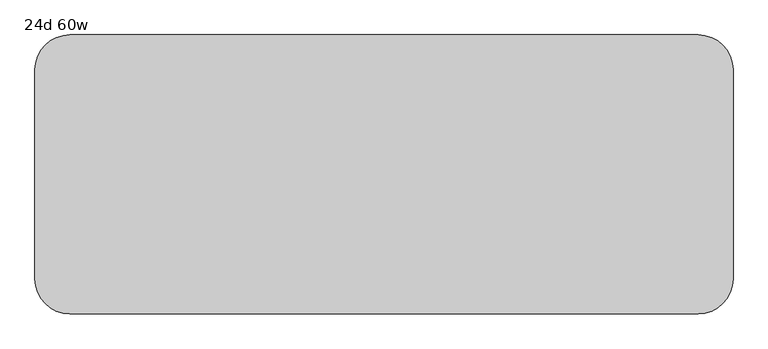
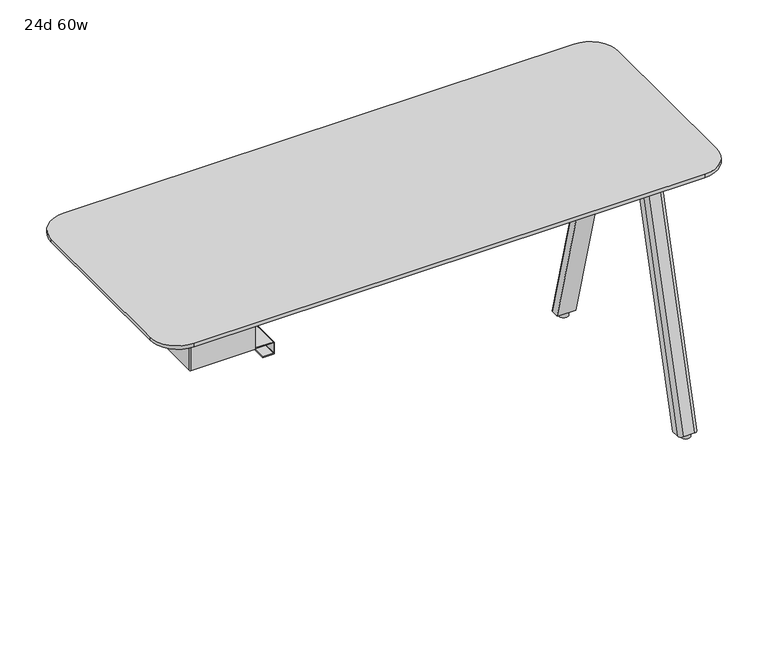
"""IFC4 building model written with IfcOpenShell, lengths in millimetres: furniture geometry, 24d 60w."""

from ifc_helpers import new_model, si_unit, point, frame, frame_2d, origin, origin_with_axes, place, context, project, spatial, polyline, circle_curve, trimmed, segment, composite_curve, outline, extrude, source, transform, mapped, element, save
from ifc_brep_helpers import plane_surface, cylinder_surface, revolved_surface, extruded_surface, advanced_brep


def furniture_24d_60w_8a3d5baf(model_context):
    return source(origin(), model_context, "Body", "SolidModel", [
        extrude(outline(composite_curve([segment(trimmed(circle_curve(frame_2d((708.2866241, 10.4825733)), 2.9133759), [point((711.2, 10.4825733))], [point((708.2866241, 7.5691973))], False, "CARTESIAN"), True, "CONTINUOUS"), segment(polyline([(708.2866241, 7.5691973), (549.0057593, 7.5691973)]), True, "CONTINUOUS"), segment(trimmed(circle_curve(frame_2d((549.0057593, 10.4825778)), 2.9133805), [point((549.0057593, 7.5691973))], [point((546.0923788, 10.4825778))], False, "CARTESIAN"), True, "CONTINUOUS"), segment(polyline([(546.0923788, 10.4825778), (546.0923788, 59.011815)]), True, "CONTINUOUS"), segment(trimmed(circle_curve(frame_2d((545.0763787, 59.011815)), 1.0160002), [point((546.0923788, 59.011815))], [point((545.0763787, 60.0278151))], True, "CARTESIAN"), True, "CONTINUOUS"), segment(polyline([(545.0763787, 60.0278151), (516.6283794, 60.0278151)]), True, "CONTINUOUS"), segment(trimmed(circle_curve(frame_2d((516.6283797, 59.011815)), 1.0160002), [point((516.6283794, 60.0278151))], [point((515.6123795, 59.011815))], True, "CARTESIAN"), True, "CONTINUOUS"), segment(polyline([(515.6123795, 59.011815), (515.6123792, 30.1751951), (513.7149992, 30.1751951), (513.7149992, 59.011815)]), True, "CONTINUOUS"), segment(trimmed(circle_curve(frame_2d((516.6283797, 59.011815)), 2.9133805), [point((513.7149992, 59.011815))], [point((516.6283797, 61.9251955))], False, "CARTESIAN"), True, "CONTINUOUS"), segment(polyline([(516.6283797, 61.9251955), (545.0763798, 61.9251955)]), True, "CONTINUOUS"), segment(trimmed(circle_curve(frame_2d((545.0763798, 59.011815)), 2.9133805), [point((545.0763798, 61.9251955))], [point((547.9897603, 59.011815))], False, "CARTESIAN"), True, "CONTINUOUS"), segment(polyline([(547.9897603, 59.011815), (547.9897603, 10.4825733)]), True, "CONTINUOUS"), segment(trimmed(circle_curve(frame_2d((549.0057593, 10.4825733)), 1.015999), [point((547.9897603, 10.4825733))], [point((549.0057593, 9.4665743))], True, "CARTESIAN"), True, "CONTINUOUS"), segment(polyline([(549.0057593, 9.4665743), (708.2866241, 9.4665743)]), True, "CONTINUOUS"), segment(trimmed(circle_curve(frame_2d((708.2866241, 10.4825733)), 1.015999), [point((708.2866241, 9.4665743))], [point((709.3026231, 10.4825733))], True, "CARTESIAN"), True, "CONTINUOUS"), segment(polyline([(709.3026231, 10.4825733), (709.3026231, 87.3252), (711.2, 87.3252), (711.2, 10.4825733)]), True, "CONTINUOUS")], self_intersect=False)), frame((0.0, -314.0610932, 0.0), z_axis=(0.0, 1.0, 0.0), x_axis=(0.0, 0.0, 1.0)), (0.0, 0.0, 1.0), 304.8),
        extrude(outline(composite_curve([segment(polyline([(-166.6748, -314.9678875), (-166.6748, -8.3390657)]), True, "CONTINUOUS"), segment(trimmed(circle_curve(frame_2d((-164.7698109, -8.3390657)), 1.9049891), [point((-166.6748, -8.3390657))], [point((-164.7698109, -6.4340766))], False, "CARTESIAN"), True, "CONTINUOUS"), segment(polyline([(-164.7698109, -6.4340766), (8.3565948, -6.4340766), (8.3565948, -316.8728766), (-164.7698109, -316.8728766)]), True, "CONTINUOUS"), segment(trimmed(circle_curve(frame_2d((-164.7698109, -314.9678875)), 1.9049891), [point((-164.7698109, -316.8728766))], [point((-166.6748, -314.9678875))], False, "CARTESIAN"), True, "CONTINUOUS")], self_intersect=False)), frame((0.0, 0.0, 547.0829797), z_axis=(0.0, 0.0, 1.0), x_axis=(1.0, 0.0, 0.0)), (0.0, 0.0, 1.0), 164.1170203),
        extrude(outline(composite_curve([segment(polyline([(1112.4565, -142.6464359), (1004.5065004, -142.6464359)]), True, "CONTINUOUS"), segment(trimmed(circle_curve(frame_2d((1004.5065004, -133.1214359)), 9.525), [point((1004.5065004, -142.6464359))], [point((994.9815004, -133.1214359))], False, "CARTESIAN"), True, "CONTINUOUS"), segment(polyline([(994.9815004, -133.1214359), (994.9815004, -50.4480665)]), True, "CONTINUOUS"), segment(trimmed(circle_curve(frame_2d((1004.5065004, -50.4480665)), 9.525), [point((994.9815004, -50.4480665))], [point((1004.5065004, -40.9230665))], False, "CARTESIAN"), True, "CONTINUOUS"), segment(polyline([(1004.5065004, -40.9230665), (1112.4565, -40.9230665)]), True, "CONTINUOUS"), segment(trimmed(circle_curve(frame_2d((1112.4565, -50.4480665)), 9.525), [point((1112.4565, -40.9230665))], [point((1121.9815, -50.4480665))], False, "CARTESIAN"), True, "CONTINUOUS"), segment(polyline([(1121.9815, -50.4480665), (1121.9815, -133.1214359)]), True, "CONTINUOUS"), segment(trimmed(circle_curve(frame_2d((1112.4565, -133.1214359)), 9.525), [point((1121.9815, -133.1214359))], [point((1112.4565, -142.6464359))], False, "CARTESIAN"), True, "CONTINUOUS")], self_intersect=False)), frame((0.0, 0.0, 705.2055742), z_axis=(0.0, 0.0, 1.0), x_axis=(1.0, 0.0, 0.0)), (0.0, 0.0, 1.0), 5.9944258),
        advanced_brep(
        [(1106.4875, -48.1472266, 705.2055742), (1074.7375, -48.1472266, 705.2055742), (1065.2125, -57.6722266, 705.2055742), (1065.2125, -78.3097266, 705.2055742), (1116.0125, -78.3097266, 705.2055742), (1116.0125, -57.6722266, 705.2055742), (1106.4875, 138.3410641, 12.7), (1116.0125, 128.8160641, 12.7), (1116.0125, 108.1785641, 12.7), (1065.2125, 108.1785641, 12.7), (1065.2125, 128.8160641, 12.7), (1074.7375, 138.3410641, 12.7)],
        [
            (0, 1),
            (1, 2, circle_curve(frame((1074.7375, -57.6722266, 705.2055742), z_axis=(0.0, 0.0, 1.0), x_axis=(1.0, 0.0, 0.0)), 9.525)),
            (2, 3),
            (3, 4),
            (4, 5),
            (5, 0, circle_curve(frame((1106.4875, -57.6722266, 705.2055742), z_axis=(0.0, 0.0, 1.0), x_axis=(1.0, 0.0, 0.0)), 9.525)),
            (6, 7, circle_curve(frame((1106.4875, 128.8160641, 12.7), z_axis=(0.0, 0.0, -1.0), x_axis=(1.0, 0.0, 0.0)), 9.525)),
            (7, 8),
            (8, 9),
            (9, 10),
            (10, 11, circle_curve(frame((1074.7375, 128.8160641, 12.7), z_axis=(0.0, 0.0, -1.0), x_axis=(1.0, 0.0, 0.0)), 9.525)),
            (11, 6),
            (6, 0),
            (5, 7),
            (4, 8),
            (3, 9),
            (2, 10),
            (1, 11),
        ],
        [
            plane_surface(frame((1090.6125, -61.3763932, 705.2055742), z_axis=(0.0, 0.0, 1.0), x_axis=(-1.0, 0.0, 0.0))),
            plane_surface(frame((1090.6125, 125.1118975, 12.7), z_axis=(0.0, 0.0, -1.0), x_axis=(-1.0, 0.0, 0.0))),
            extruded_surface(trimmed(circle_curve(frame((1106.4875, -57.6722266, 705.2055742), z_axis=(0.0, 0.0, -1.0), x_axis=(1.0, 0.0, 0.0)), 9.525), [point((1106.4875, -48.1472266, 705.2055742))], [point((1116.0125, -57.6722266, 705.2055742))], True, "CARTESIAN"), (0.0, 186.4882907, -692.5055742), 717.1763052878136),
            plane_surface(frame((1116.0125, 118.4973141, 12.7), z_axis=(1.0, 0.0, 0.0), x_axis=(0.0, -1.0, 0.0))),
            plane_surface(frame((1090.6125, 108.1785641, 12.7), z_axis=(0.0, -0.9656001865922422, -0.260031305140414), x_axis=(-1.0, 0.0, 0.0))),
            plane_surface(frame((1065.2125, 118.4973141, 12.7), z_axis=(-1.0, 0.0, 0.0), x_axis=(0.0, 1.0, 0.0))),
            extruded_surface(trimmed(circle_curve(frame((1074.7375, -57.6722266, 705.2055742), z_axis=(0.0, 0.0, -1.0), x_axis=(1.0, 0.0, 0.0)), 9.525), [point((1065.2125, -57.6722266, 705.2055742))], [point((1074.7375, -48.1472266, 705.2055742))], True, "CARTESIAN"), (0.0, 186.4882907, -692.5055742), 717.1763052878136),
            plane_surface(frame((1090.6125, 138.3410641, 12.7), z_axis=(0.0, 0.9656001865922422, 0.260031305140414), x_axis=(1.0, 0.0, 0.0))),
        ],
        [
            (0, [[1, 2, 3, 4, 5, 6]]),
            (1, [[7, 8, 9, 10, 11, 12]]),
            (2, [[13, -6, 14, -7]]),
            (3, [[-14, -5, 15, -8]]),
            (4, [[-15, -4, 16, -9]]),
            (5, [[-16, -3, 17, -10]]),
            (6, [[-17, -2, 18, -11]]),
            (7, [[-18, -1, -13, -12]]),
        ],
    ),
        extrude(outline(composite_curve([segment(trimmed(circle_curve(frame_2d((1090.6125, 122.4660641)), 12.7), [point((1077.9125, 122.4660641))], [point((1103.3125, 122.4660641))], False, "CARTESIAN"), True, "CONTINUOUS"), segment(trimmed(circle_curve(frame_2d((1090.6125, 122.4660641)), 12.7), [point((1103.3125, 122.4660641))], [point((1077.9125, 122.4660641))], False, "CARTESIAN"), True, "CONTINUOUS")], self_intersect=False)), origin_with_axes(), (0.0, 0.0, 1.0), 12.7),
        extrude(outline(composite_curve([segment(trimmed(circle_curve(frame_2d((1112.4565, -190.1855172)), 9.525), [point((1112.4565, -180.6605172))], [point((1121.9815, -190.1855172))], False, "CARTESIAN"), True, "CONTINUOUS"), segment(polyline([(1121.9815, -190.1855172), (1121.9815, -272.8588866)]), True, "CONTINUOUS"), segment(trimmed(circle_curve(frame_2d((1112.4565, -272.8588866)), 9.525), [point((1121.9815, -272.8588866))], [point((1112.4565, -282.3838866))], False, "CARTESIAN"), True, "CONTINUOUS"), segment(polyline([(1112.4565, -282.3838866), (1004.5065004, -282.3838866)]), True, "CONTINUOUS"), segment(trimmed(circle_curve(frame_2d((1004.5065004, -272.8588866)), 9.525), [point((1004.5065004, -282.3838866))], [point((994.9815004, -272.8588866))], False, "CARTESIAN"), True, "CONTINUOUS"), segment(polyline([(994.9815004, -272.8588866), (994.9815004, -190.1855172)]), True, "CONTINUOUS"), segment(trimmed(circle_curve(frame_2d((1004.5065004, -190.1855172)), 9.525), [point((994.9815004, -190.1855172))], [point((1004.5065004, -180.6605172))], False, "CARTESIAN"), True, "CONTINUOUS"), segment(polyline([(1004.5065004, -180.6605172), (1112.4565, -180.6605172)]), True, "CONTINUOUS")], self_intersect=False)), frame((0.0, 0.0, 705.2055742), z_axis=(0.0, 0.0, 1.0), x_axis=(1.0, 0.0, 0.0)), (0.0, 0.0, 1.0), 5.9944258),
        advanced_brep(
        [(1106.4875, -275.1597266, 705.2055742), (1116.0125, -265.6347266, 705.2055742), (1116.0125, -244.9972266, 705.2055742), (1065.2125, -244.9972266, 705.2055742), (1065.2125, -265.6347266, 705.2055742), (1074.7375, -275.1597266, 705.2055742), (1106.4875, -461.6480172, 12.7), (1074.7375, -461.6480172, 12.7), (1065.2125, -452.1230172, 12.7), (1065.2125, -431.4855172, 12.7), (1116.0125, -431.4855172, 12.7), (1116.0125, -452.1230172, 12.7)],
        [
            (0, 1, circle_curve(frame((1106.4875, -265.6347266, 705.2055742), z_axis=(0.0, 0.0, 1.0), x_axis=(1.0, 0.0, 0.0)), 9.525)),
            (1, 2),
            (2, 3),
            (3, 4),
            (4, 5, circle_curve(frame((1074.7375, -265.6347266, 705.2055742), z_axis=(0.0, 0.0, 1.0), x_axis=(1.0, 0.0, 0.0)), 9.525)),
            (5, 0),
            (6, 7),
            (7, 8, circle_curve(frame((1074.7375, -452.1230172, 12.7), z_axis=(0.0, 0.0, -1.0), x_axis=(1.0, 0.0, 0.0)), 9.525)),
            (8, 9),
            (9, 10),
            (10, 11),
            (11, 6, circle_curve(frame((1106.4875, -452.1230172, 12.7), z_axis=(0.0, 0.0, -1.0), x_axis=(1.0, 0.0, 0.0)), 9.525)),
            (11, 1),
            (0, 6),
            (10, 2),
            (9, 3),
            (8, 4),
            (7, 5),
        ],
        [
            plane_surface(frame((1090.6125, -261.9305599, 705.2055742), z_axis=(0.0, 0.0, 1.0), x_axis=(-1.0, 0.0, 0.0))),
            plane_surface(frame((1090.6125, -448.4188506, 12.7), z_axis=(0.0, 0.0, -1.0), x_axis=(-1.0, 0.0, 0.0))),
            extruded_surface(trimmed(circle_curve(frame((1106.4875, -452.1230172, 12.7), z_axis=(0.0, 0.0, 1.0), x_axis=(1.0, 0.0, 0.0)), 9.525), [point((1106.4875, -461.6480172, 12.7))], [point((1116.0125, -452.1230172, 12.7))], True, "CARTESIAN"), (0.0, 186.48829059999997, 692.5055742), 717.1763052618105),
            plane_surface(frame((1116.0125, -441.8042672, 12.7), z_axis=(1.0, 0.0, 0.0), x_axis=(0.0, 1.0, 0.0))),
            plane_surface(frame((1090.6125, -431.4855172, 12.7), z_axis=(0.0, 0.9656001865922422, -0.260031305140414), x_axis=(-1.0, 0.0, 0.0))),
            plane_surface(frame((1065.2125, -441.8042672, 12.7), z_axis=(-1.0, 0.0, 0.0), x_axis=(0.0, -1.0, 0.0))),
            extruded_surface(trimmed(circle_curve(frame((1074.7375, -452.1230172, 12.7), z_axis=(0.0, 0.0, 1.0), x_axis=(1.0, 0.0, 0.0)), 9.525), [point((1065.2125, -452.1230172, 12.7))], [point((1074.7375, -461.6480172, 12.7))], True, "CARTESIAN"), (0.0, 186.48829059999997, 692.5055742), 717.1763052618105),
            plane_surface(frame((1090.6125, -461.6480172, 12.7), z_axis=(0.0, -0.9656001865922422, 0.260031305140414), x_axis=(1.0, 0.0, 0.0))),
        ],
        [
            (0, [[1, 2, 3, 4, 5, 6]]),
            (1, [[7, 8, 9, 10, 11, 12]]),
            (2, [[-12, 13, -1, 14]]),
            (3, [[-11, 15, -2, -13]]),
            (4, [[-10, 16, -3, -15]]),
            (5, [[-9, 17, -4, -16]]),
            (6, [[-8, 18, -5, -17]]),
            (7, [[-7, -14, -6, -18]]),
        ],
    ),
        extrude(outline(composite_curve([segment(trimmed(circle_curve(frame_2d((1090.6125, -445.7730172)), 12.7), [point((1077.9125, -445.7730172))], [point((1103.3125, -445.7730172))], False, "CARTESIAN"), True, "CONTINUOUS"), segment(trimmed(circle_curve(frame_2d((1090.6125, -445.7730172)), 12.7), [point((1103.3125, -445.7730172))], [point((1077.9125, -445.7730172))], False, "CARTESIAN"), True, "CONTINUOUS")], self_intersect=False)), origin_with_axes(), (0.0, 0.0, 1.0), 12.7),
        advanced_brep(
        [(-241.3, -466.4534766, 741.3625), (1130.3, -466.4534766, 741.3625), (1206.5, -390.2534766, 741.3625), (1206.5, 66.9465234, 741.3625), (1130.3, 143.1465234, 741.3625), (-241.3, 143.1465234, 741.3625), (-317.5, 66.9465234, 741.3625), (-317.5, -390.2534766, 741.3625), (1130.3, -415.6534766, 711.2), (-241.3, -415.6534766, 711.2), (-266.7, -390.2534766, 711.2), (-266.7, 66.9465234, 711.2), (-241.3, 92.3465234, 711.2), (1130.3, 92.3465234, 711.2), (1155.7, 66.9465234, 711.2), (1155.7, -390.2534766, 711.2), (-241.3, -466.4534766, 731.8375), (1130.3, -466.4534766, 731.8375), (1206.5, -390.2534766, 731.8375), (1206.5, 66.9465234, 731.8375), (1130.3, 143.1465234, 731.8375), (-241.3, 143.1465234, 731.8375), (-317.5, 66.9465234, 731.8375), (-317.5, -390.2534766, 731.8375)],
        [
            (0, 1),
            (1, 2, circle_curve(frame((1130.3, -390.2534766, 741.3625), z_axis=(0.0, 0.0, 1.0), x_axis=(1.0, 0.0, 0.0)), 76.2)),
            (2, 3),
            (3, 4, circle_curve(frame((1130.3, 66.9465234, 741.3625), z_axis=(0.0, 0.0, 1.0), x_axis=(1.0, 0.0, 0.0)), 76.2)),
            (4, 5),
            (5, 6, circle_curve(frame((-241.3, 66.9465234, 741.3625), z_axis=(0.0, 0.0, 1.0), x_axis=(1.0, 0.0, 0.0)), 76.2)),
            (6, 7),
            (7, 0, circle_curve(frame((-241.3, -390.2534766, 741.3625), z_axis=(0.0, 0.0, 1.0), x_axis=(1.0, 0.0, 0.0)), 76.2)),
            (8, 9),
            (9, 10, circle_curve(frame((-241.3, -390.2534766, 711.2), z_axis=(0.0, 0.0, -1.0), x_axis=(-1.0, 0.0, 0.0)), 25.4)),
            (10, 11),
            (11, 12, circle_curve(frame((-241.3, 66.9465234, 711.2), z_axis=(0.0, 0.0, -1.0), x_axis=(0.0, 1.0, 0.0)), 25.4)),
            (12, 13),
            (13, 14, circle_curve(frame((1130.3, 66.9465234, 711.2), z_axis=(0.0, 0.0, -1.0), x_axis=(1.0, 0.0, 0.0)), 25.4)),
            (14, 15),
            (15, 8, circle_curve(frame((1130.3, -390.2534766, 711.2), z_axis=(0.0, 0.0, -1.0), x_axis=(0.0, -1.0, 0.0)), 25.4)),
            (0, 16),
            (16, 17),
            (17, 1),
            (2, 18),
            (18, 19),
            (19, 3),
            (17, 18, circle_curve(frame((1130.3, -390.2534766, 731.8375), z_axis=(0.0, 0.0, 1.0), x_axis=(1.0, 0.0, 0.0)), 76.2)),
            (4, 20),
            (20, 21),
            (21, 5),
            (8, 17),
            (16, 9),
            (15, 18),
            (14, 19),
            (13, 20),
            (20, 19, circle_curve(frame((1130.3, 66.9465234, 731.8375), z_axis=(0.0, 0.0, -1.0), x_axis=(1.0, 0.0, 0.0)), 76.2)),
            (12, 21),
            (6, 22),
            (22, 23),
            (23, 7),
            (21, 22, circle_curve(frame((-241.3, 66.9465234, 731.8375), z_axis=(0.0, 0.0, 1.0), x_axis=(1.0, 0.0, 0.0)), 76.2)),
            (23, 16, circle_curve(frame((-241.3, -390.2534766, 731.8375), z_axis=(0.0, 0.0, 1.0), x_axis=(1.0, 0.0, 0.0)), 76.2)),
            (11, 22),
            (10, 23),
        ],
        [
            plane_surface(frame((1130.3, -466.4534766, 741.3625), z_axis=(0.0, 0.0, 1.0), x_axis=(1.0, 0.0, 0.0))),
            plane_surface(frame((1130.3, -466.4534766, 711.2), z_axis=(0.0, 0.0, -1.0), x_axis=(-1.0, 0.0, 0.0))),
            plane_surface(frame((-241.3, -466.4534766, 741.3625), z_axis=(0.0, -1.0, 0.0), x_axis=(0.0, 0.0, -1.0))),
            plane_surface(frame((1206.5, -390.2534766, 741.3625), z_axis=(1.0, 0.0, 0.0), x_axis=(0.0, 0.0, -1.0))),
            cylinder_surface(frame((1130.3, -390.2534766, 711.2), z_axis=(0.0, 0.0, 1.0), x_axis=(1.0, 0.0, 0.0)), 76.2),
            plane_surface(frame((1130.3, 143.1465234, 741.3625), z_axis=(0.0, 1.0, 0.0), x_axis=(0.0, 0.0, -1.0))),
            plane_surface(frame((-241.3, -466.4534766, 731.8375), z_axis=(0.0, -0.3763770469577009, -0.926466577121593), x_axis=(1.0, 0.0, 0.0))),
            revolved_surface(polyline([(1130.3, -415.6534766, 711.2), (1130.3, -466.4534766, 731.8375)]), (1130.3, -390.2534766, 0.0), (0.0, 0.0, 1.0)),
            plane_surface(frame((1206.5, -390.2534766, 731.8375), z_axis=(0.3763770469577009, 0.0, -0.926466577121593), x_axis=(0.0, 1.0, 0.0))),
            revolved_surface(polyline([(1155.7, 66.9465234, 711.2), (1206.5, 66.9465234, 731.8375)]), (1130.3, 66.9465234, 0.0), (0.0, 0.0, 1.0)),
            plane_surface(frame((1130.3, 143.1465234, 731.8375), z_axis=(0.0, 0.3763770469577009, -0.926466577121593), x_axis=(-1.0, 0.0, 0.0))),
            cylinder_surface(frame((1130.3, 66.9465234, 711.2), z_axis=(0.0, 0.0, 1.0), x_axis=(1.0, 0.0, 0.0)), 76.2),
            plane_surface(frame((-317.5, 66.9465234, 741.3625), z_axis=(-1.0, 0.0, 0.0), x_axis=(0.0, 0.0, -1.0))),
            cylinder_surface(frame((-241.3, 66.9465234, 711.2), z_axis=(0.0, 0.0, 1.0), x_axis=(1.0, 0.0, 0.0)), 76.2),
            cylinder_surface(frame((-241.3, -390.2534766, 711.2), z_axis=(0.0, 0.0, 1.0), x_axis=(1.0, 0.0, 0.0)), 76.2),
            revolved_surface(polyline([(-241.3, 92.3465234, 711.2), (-241.3, 143.1465234, 731.8375)]), (-241.3, 66.9465234, 0.0), (0.0, 0.0, 1.0)),
            plane_surface(frame((-317.5, 66.9465234, 731.8375), z_axis=(-0.3763770469577009, 0.0, -0.926466577121593), x_axis=(0.0, -1.0, 0.0))),
            revolved_surface(polyline([(-266.7, -390.2534766, 711.2), (-317.5, -390.2534766, 731.8375)]), (-241.3, -390.2534766, 0.0), (0.0, 0.0, 1.0)),
        ],
        [
            (0, [[1, 2, 3, 4, 5, 6, 7, 8]]),
            (1, [[9, 10, 11, 12, 13, 14, 15, 16]]),
            (2, [[-1, 17, 18, 19]]),
            (3, [[-3, 20, 21, 22]]),
            (4, [[-2, -19, 23, -20]]),
            (5, [[-5, 24, 25, 26]]),
            (6, [[27, -18, 28, -9]]),
            (7, [[-27, -16, 29, -23]]),
            (8, [[-29, -15, 30, -21]]),
            (9, [[-30, -14, 31, 32]]),
            (10, [[-31, -13, 33, -25]]),
            (11, [[-4, -22, -32, -24]]),
            (12, [[-7, 34, 35, 36]]),
            (13, [[-6, -26, 37, -34]]),
            (14, [[-8, -36, 38, -17]]),
            (15, [[-33, -12, 39, -37]]),
            (16, [[-39, -11, 40, -35]]),
            (17, [[-28, -38, -40, -10]]),
        ],
    ),
    ])


if __name__ == "__main__":
    model = new_model("IFC4")
    model_context = context("Model", 3, world=origin())
    ifc_project = project(units=[si_unit("LENGTHUNIT", "METRE", prefix="MILLI")], contexts=[model_context])
    site = spatial("IfcSite", under=ifc_project)
    building = spatial("IfcBuilding", under=site)
    placement = place(None, origin())
    furniture_24d_60w_shape = furniture_24d_60w_8a3d5baf(model_context)
    element("IfcFurniture", 1, ObjectType="24d 60w", at=placement, inside=building, context=model_context, shape_type="MappedRepresentation", body=[
        mapped(furniture_24d_60w_shape, transform((0.0, 0.0, 0.0), x_axis=(1.0, 0.0, 0.0), y_axis=(0.0, 1.0, 0.0), z_axis=(0.0, 0.0, 1.0))),
    ])
    save(model, "model.ifc")
